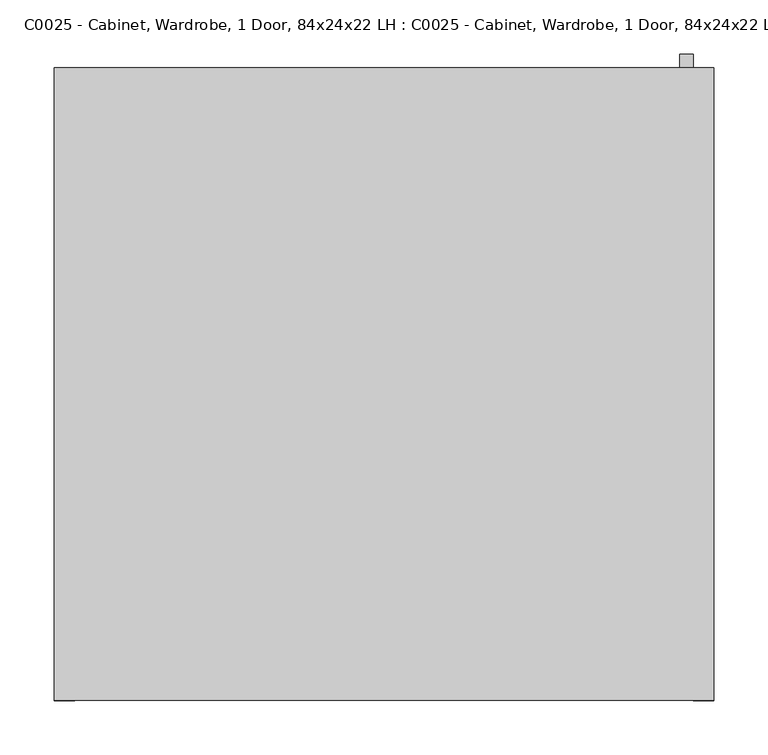
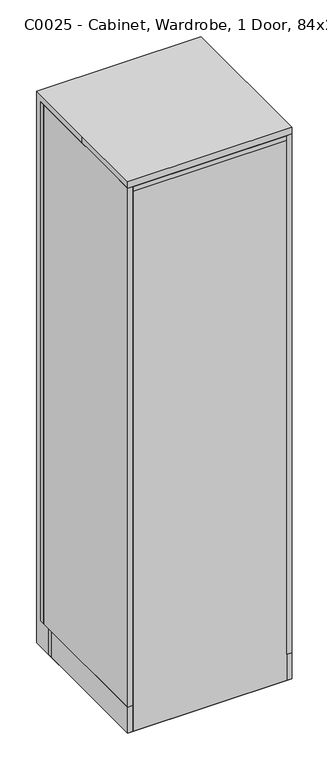
"""IFC4 building model written with IfcOpenShell, lengths in millimetres: proxy geometry, C0025 - Cabinet, Wardrobe, 1 Door, 84x24x22 LH : C0025 - Cabinet, Wardrobe, 1 Door, 84x24x22 LH."""

from ifc_helpers import new_model, si_unit, point, frame, frame_2d, origin, origin_with_axes, place, context, project, spatial, polyline, circle_curve, trimmed, segment, composite_curve, outline, extrude, source, transform, mapped, element, save


def c0025_cabinet_wardrobe_1_door_84x24x22_lh_c0025_cabinet_062b2eec(model_context):
    return source(origin(), model_context, "Body", "SweptSolid", [
        extrude(outline(polyline([(304.7810937, 1219.2), (304.7810937, 1123.9878126), (266.7, 1123.9878126), (266.7, 1136.6574627), (292.1114436, 1136.6574627), (292.1114436, 1206.5303499), (266.7, 1206.5303499), (266.7, 1219.2), (304.7810937, 1219.2)])), frame((273.1988281, 0.0, 0.0), z_axis=(1.0, 0.0, 0.0), x_axis=(0.0, 1.0, 0.0)), (0.0, 0.0, 1.0), 12.4023437),
        extrude(outline(polyline([(-304.8, 247.65), (-285.75, 247.65), (-285.75, -292.1), (-304.8, -292.1), (-304.8, 247.65)])), frame((0.0, 0.0, 101.6), z_axis=(0.0, 0.0, 1.0), x_axis=(1.0, 0.0, 0.0)), (0.0, 0.0, 1.0), 2032.0),
        extrude(outline(polyline([(304.8, -292.1), (285.75, -292.1), (285.75, 247.65), (304.8, 247.65), (304.8, -292.1)])), frame((0.0, 0.0, 101.6), z_axis=(0.0, 0.0, 1.0), x_axis=(1.0, 0.0, 0.0)), (0.0, 0.0, 1.0), 2032.0),
        extrude(outline(composite_curve([segment(trimmed(circle_curve(frame_2d((0.0, 1572.32055)), 12.7), [point((12.7, 1572.32055))], [point((-12.7, 1572.32055))], False, "CARTESIAN"), True, "CONTINUOUS"), segment(trimmed(circle_curve(frame_2d((0.0, 1572.32055)), 12.7), [point((-12.7, 1572.32055))], [point((12.7, 1572.32055))], False, "CARTESIAN"), True, "CONTINUOUS")], self_intersect=False)), frame((-285.75, 0.0, 0.0), z_axis=(1.0, 0.0, 0.0), x_axis=(0.0, 1.0, 0.0)), (0.0, 0.0, 1.0), 571.5),
        extrude(outline(polyline([(285.75, 247.65), (285.75, -273.05), (-285.75, -273.05), (-285.75, 247.65), (285.75, 247.65)])), frame((0.0, 0.0, 1689.1), z_axis=(0.0, 0.0, 1.0), x_axis=(1.0, 0.0, 0.0)), (0.0, 0.0, 1.0), 25.4),
        extrude(outline(polyline([(285.75, -292.1), (-285.75, -292.1), (-285.75, 247.65), (285.75, 247.65), (285.75, -292.1)])), frame((0.0, 0.0, 2114.55), z_axis=(0.0, 0.0, 1.0), x_axis=(1.0, 0.0, 0.0)), (0.0, 0.0, 1.0), 19.05),
        extrude(outline(polyline([(304.8, 266.7), (304.8, 247.65), (-304.8, 247.65), (-304.8, 266.7), (304.8, 266.7)])), frame((0.0, 0.0, 101.6), z_axis=(0.0, 0.0, 1.0), x_axis=(1.0, 0.0, 0.0)), (0.0, 0.0, 1.0), 2032.0),
        extrude(outline(polyline([(285.75, -273.05), (285.75, -292.1), (-285.75, -292.1), (-285.75, -273.05), (285.75, -273.05)])), origin_with_axes(), (0.0, 0.0, 1.0), 2114.55),
        extrude(outline(polyline([(-285.75, -292.1), (-304.8, -292.1), (-304.8, 196.85), (-285.75, 196.85), (-285.75, -292.1)])), origin_with_axes(), (0.0, 0.0, 1.0), 101.6),
        extrude(outline(polyline([(304.8, -292.1), (285.75, -292.1), (285.75, 196.85), (304.8, 196.85), (304.8, -292.1)])), origin_with_axes(), (0.0, 0.0, 1.0), 101.6),
        extrude(outline(polyline([(285.75, 247.65), (285.75, -273.05), (-285.75, -273.05), (-285.75, 247.65), (285.75, 247.65)])), frame((0.0, 0.0, 101.6), z_axis=(0.0, 0.0, 1.0), x_axis=(1.0, 0.0, 0.0)), (0.0, 0.0, 1.0), 25.4),
        extrude(outline(polyline([(304.8, 196.85), (-304.8, 196.85), (-304.8, 215.9), (304.8, 215.9), (304.8, 196.85)])), origin_with_axes(), (0.0, 0.0, 1.0), 101.6),
        extrude(outline(polyline([(-304.8, -292.1), (-304.8, 0.0), (-304.8, 292.1), (304.8, 292.1), (304.8, -292.1), (-304.8, -292.1)])), origin_with_axes(), (0.0, 0.0, 1.0), 2159.0),
    ])


if __name__ == "__main__":
    model = new_model("IFC4")
    model_context = context("Model", 3, world=origin())
    ifc_project = project(units=[si_unit("LENGTHUNIT", "METRE", prefix="MILLI")], contexts=[model_context])
    site = spatial("IfcSite", under=ifc_project)
    building = spatial("IfcBuilding", under=site)
    placement = place(None, origin())
    c0025_cabinet_wardrobe_1_door_84x24x22_lh_c0025_cabinet_shape = c0025_cabinet_wardrobe_1_door_84x24x22_lh_c0025_cabinet_062b2eec(model_context)
    element("IfcBuildingElementProxy", 1, Name="C0025 - Cabinet, Wardrobe, 1 Door, 84x24x22 LH : C0025 - Cabinet, Wardrobe, 1 Door, 84x24x22 LH", ObjectType="C0025 - Cabinet, Wardrobe, 1 Door, 84x24x22 LH : C0025 - Cabinet, Wardrobe, 1 Door, 84x24x22 LH", at=placement, inside=building, context=model_context, shape_type="MappedRepresentation", body=[
        mapped(c0025_cabinet_wardrobe_1_door_84x24x22_lh_c0025_cabinet_shape, transform((0.0, 0.0, 0.0), x_axis=(1.0, 0.0, 0.0), y_axis=(0.0, 1.0, 0.0), z_axis=(0.0, 0.0, 1.0))),
    ])
    save(model, "model.ifc")
